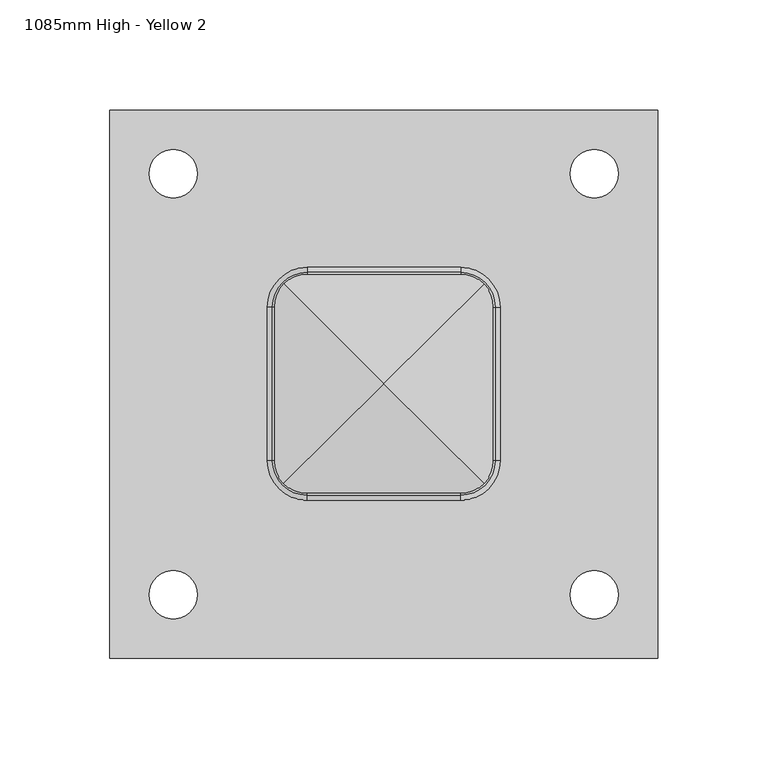
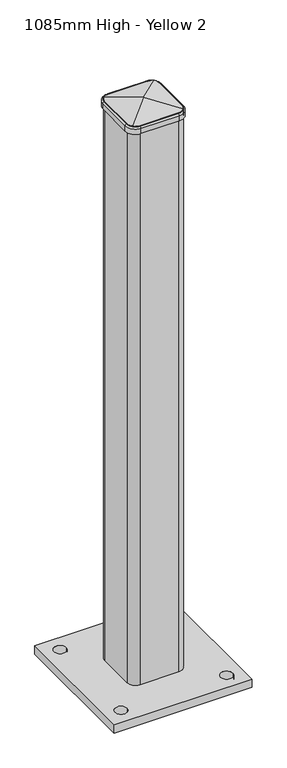
"""IFC4 building model written with IfcOpenShell, lengths in millimetres: proxy geometry, 1085mm High - Yellow 2."""

import ifcopenshell
import ifcopenshell.guid

model = None  # the IFC model being written
_history = None  # IfcOwnerHistory: only IFC2X3 demands one
_inside = {}  # id of a spatial element -> (the spatial element, [elements in it])
_under = {}  # id of a project, library or spatial element -> (it, [spatial elements below it])
_declared = {}  # id of a project -> (the project, [libraries it declares])
_typed = {}  # id of a type object -> (the type object, [elements of that type])
_made_of = {}  # id of a material, layer set ... -> (it, [elements and type objects made of it])


def new_model(schema):
    """Start an empty IFC model of exactly this schema.

    Asked for "IFC4X3", IfcOpenShell would pick the latest addendum, in which some entities
    have other attributes; the version numbers below select the first issue.
    IFC2X3 requires an IfcOwnerHistory on every rooted entity: one is made here for all.
    """
    global model, _history
    if schema == "IFC4X3":
        model = ifcopenshell.file(schema_version=(4, 3, 0, 0))
    else:
        model = ifcopenshell.file(schema=schema)
    _inside.clear()
    _under.clear()
    _declared.clear()
    _typed.clear()
    _made_of.clear()
    _history = None
    if model.schema == "IFC2X3":
        org = make("IfcOrganization", Name="unknown")
        user = make(
            "IfcPersonAndOrganization",
            ThePerson=make("IfcPerson", FamilyName="unknown"),
            TheOrganization=org,
        )
        app = make(
            "IfcApplication",
            ApplicationDeveloper=org,
            Version="unknown",
            ApplicationFullName="unknown",
            ApplicationIdentifier="unknown",
        )
        _history = make(
            "IfcOwnerHistory",
            OwningUser=user,
            OwningApplication=app,
            ChangeAction="ADDED",
            CreationDate=0,
        )
    return model


def make(cls, **values):
    """One entity of the class cls with the attributes given. An attribute that is None is left unset."""
    return model.create_entity(
        cls, **{name: value for name, value in values.items() if value is not None}
    )


def rooted(cls, **values):
    """An entity with a GlobalId (a new one), such as an element, a storey or a relation."""
    return make(cls, GlobalId=ifcopenshell.guid.new(), OwnerHistory=_history, **values)


def si_unit(unit_type, name, prefix=None):
    """IfcSIUnit, for example si_unit("LENGTHUNIT", "METRE", prefix="MILLI")."""
    return make("IfcSIUnit", UnitType=unit_type, Prefix=prefix, Name=name)


def assignment(units):
    """IfcUnitAssignment: the units of a project."""
    return None if units is None else make("IfcUnitAssignment", Units=units)


def point(xyz):
    """IfcCartesianPoint."""
    return None if xyz is None else make("IfcCartesianPoint", Coordinates=xyz)


def direction(xyz):
    """IfcDirection."""
    return None if xyz is None else make("IfcDirection", DirectionRatios=xyz)


def frame(location, z_axis=None, x_axis=None):
    """IfcAxis2Placement3D, a coordinate frame: its origin and axes. An axis left out is left unset."""
    return make(
        "IfcAxis2Placement3D",
        Location=point(location),
        Axis=direction(z_axis),
        RefDirection=direction(x_axis),
    )


def origin():
    """The frame at (0, 0, 0) with its axes left unset."""
    return frame((0.0, 0.0, 0.0))


def place(relative_to, where):
    """IfcLocalPlacement: puts the frame where relative to a parent placement (None: the world)."""
    return make(
        "IfcLocalPlacement", PlacementRelTo=relative_to, RelativePlacement=where
    )


def context(
    kind, dimensions, precision=None, world=None, true_north=None, identifier=None
):
    """IfcGeometricRepresentationContext, for example the 3D "Model" context."""
    return make(
        "IfcGeometricRepresentationContext",
        ContextIdentifier=identifier,
        ContextType=kind,
        CoordinateSpaceDimension=dimensions,
        Precision=precision,
        WorldCoordinateSystem=world,
        TrueNorth=true_north,
    )


def project(units=None, contexts=None):
    """IfcProject with its units and contexts."""
    return rooted(
        "IfcProject",
        Name="project",
        RepresentationContexts=contexts,
        UnitsInContext=assignment(units),
    )


def spatial(cls, under=None, at=None, **own):
    """A site, building, storey or space (cls), placed at a placement, below another one or the project."""
    s = rooted(cls, ObjectPlacement=at, **own)
    if under is not None:
        _under.setdefault(under.id(), (under, []))[1].append(s)
    return s


def polyline(points):
    """IfcPolyline through the points."""
    return make("IfcPolyline", Points=[point(p) for p in points])


def circle_curve(where, radius):
    """IfcCircle in the frame where."""
    return make("IfcCircle", Position=where, Radius=radius)


def ellipse_curve(where, semi_axis1, semi_axis2):
    """IfcEllipse in the frame where."""
    return make(
        "IfcEllipse", Position=where, SemiAxis1=semi_axis1, SemiAxis2=semi_axis2
    )


def trimmed(basis, trim1, trim2, sense, master):
    """IfcTrimmedCurve: the piece of a basis curve between two trims."""
    return make(
        "IfcTrimmedCurve",
        BasisCurve=basis,
        Trim1=trim1,
        Trim2=trim2,
        SenseAgreement=sense,
        MasterRepresentation=master,
    )


def shape(context_of_items, identifier, shape_type, items):
    """IfcShapeRepresentation: the items that make up one representation, for example the "Body"."""
    return make(
        "IfcShapeRepresentation",
        ContextOfItems=context_of_items,
        RepresentationIdentifier=identifier,
        RepresentationType=shape_type,
        Items=items,
    )


def source(mapping_origin, context_of_items, identifier, shape_type, items):
    """IfcRepresentationMap: a shape defined once, which mapped items show again and again."""
    return make(
        "IfcRepresentationMap",
        MappingOrigin=mapping_origin,
        MappedRepresentation=shape(context_of_items, identifier, shape_type, items),
    )


def transform(
    local_origin,
    x_axis=None,
    y_axis=None,
    z_axis=None,
    scale=None,
    scale2=None,
    scale3=None,
    uniform=True,
):
    """IfcCartesianTransformationOperator3D, or its non-uniform kind. x_axis, y_axis, z_axis: its Axis1, 2, 3."""
    if uniform:
        return make(
            "IfcCartesianTransformationOperator3D",
            Axis1=direction(x_axis),
            Axis2=direction(y_axis),
            LocalOrigin=point(local_origin),
            Scale=scale,
            Axis3=direction(z_axis),
        )
    return make(
        "IfcCartesianTransformationOperator3DnonUniform",
        Axis1=direction(x_axis),
        Axis2=direction(y_axis),
        LocalOrigin=point(local_origin),
        Scale=scale,
        Axis3=direction(z_axis),
        Scale2=scale2,
        Scale3=scale3,
    )


def mapped(mapping_source, mapping_target):
    """IfcMappedItem: shows the shape of a source again, moved by a transform."""
    return make(
        "IfcMappedItem", MappingSource=mapping_source, MappingTarget=mapping_target
    )


def made_of(thing, what):
    """Note that an element or type object is made of a material, layer set ...; save() writes the relation."""
    if what is not None:
        _made_of.setdefault(what.id(), (what, []))[1].append(thing)
    return thing


def element(
    cls,
    number,
    at=None,
    inside=None,
    cuts=None,
    type_object=None,
    material=None,
    context=None,
    identifier="Body",
    shape_type=None,
    held_by="IfcProductDefinitionShape",
    body=None,
    shapes=None,
    **own,
):
    """One element of the class cls, such as IfcWall. Its Tag is "e" and its number.

    at: its placement. inside: the storey or other place that contains it. cuts: it is an
    opening in that element (IfcRelVoidsElement). A single representation is given by context,
    identifier, shape_type and body (its items); several are given by shapes. held_by: the class
    of the entity that holds the representations. save() writes the other relations.
    """
    e = rooted(cls, Tag="e%d" % number, ObjectPlacement=at, **own)
    if body is not None:
        shapes = [shape(context, identifier, shape_type, body)]
    if shapes is not None:
        e.Representation = make(held_by, Representations=shapes)
    if inside is not None:
        _inside.setdefault(inside.id(), (inside, []))[1].append(e)
    if cuts is not None:
        rooted(
            "IfcRelVoidsElement", RelatingBuildingElement=cuts, RelatedOpeningElement=e
        )
    if type_object is not None:
        _typed.setdefault(type_object.id(), (type_object, []))[1].append(e)
    return made_of(e, material)


def aggregate(whole, parts):
    """IfcRelAggregates: a whole, such as a stair, and the parts it consists of."""
    return rooted("IfcRelAggregates", RelatingObject=whole, RelatedObjects=parts)


def save(model, path):
    """Write the relations noted so far, then the file.

    IfcRelAggregates (storeys below a building ...), IfcRelContainedInSpatialStructure (elements
    in a storey), IfcRelDefinesByType, IfcRelAssociatesMaterial and IfcRelDeclares: one each for
    every whole, place, type object, material and project.
    """
    for whole, parts in _under.values():
        aggregate(whole, parts)
    for where, things in _inside.values():
        rooted(
            "IfcRelContainedInSpatialStructure",
            RelatedElements=things,
            RelatingStructure=where,
        )
    for kind, things in _typed.values():
        rooted("IfcRelDefinesByType", RelatedObjects=things, RelatingType=kind)
    for what, things in _made_of.values():
        rooted("IfcRelAssociatesMaterial", RelatedObjects=things, RelatingMaterial=what)
    for by, libraries in _declared.values():
        rooted("IfcRelDeclares", RelatingContext=by, RelatedDefinitions=libraries)
    model.write(path)


def plane_surface(at):
    """IfcPlane: the flat surface through the origin of the frame at, square to its z axis."""
    return make("IfcPlane", Position=at)


def cylinder_surface(at, radius):
    """IfcCylindricalSurface: all points at the distance radius from the z axis of the frame at."""
    return make("IfcCylindricalSurface", Position=at, Radius=radius)


def revolved_surface(curve, axis_point, axis_direction):
    """IfcSurfaceOfRevolution: the curve turned about the line through axis_point along axis_direction."""
    return make(
        "IfcSurfaceOfRevolution",
        SweptCurve=make("IfcArbitraryOpenProfileDef", ProfileType="CURVE", Curve=curve),
        AxisPosition=make("IfcAxis1Placement", Location=point(axis_point), Axis=direction(axis_direction)),
    )


def advanced_brep(points, edges, surfaces, faces):
    """IfcAdvancedBrep: a solid bounded by faces that lie on surfaces and meet in shared edges.

    An edge is (start, end): straight between two places in points (the first is 0);
    or (start, end, curve); or (start, end, curve, False) where it runs against its curve.
    A face is (place in surfaces, loops), or (place, loops, False) where it looks against
    its surface's normal. A loop lists edges by number (the first is 1), with a minus sign
    where the edge is run from its end to its start. The first loop is the outer one.
    """
    corners = [point(p) for p in points]
    vertices = [make("IfcVertexPoint", VertexGeometry=c) for c in corners]
    made = []
    for start, end, *more in edges:
        made.append(
            make(
                "IfcEdgeCurve",
                EdgeStart=vertices[start],
                EdgeEnd=vertices[end],
                EdgeGeometry=more[0] if more else make("IfcPolyline", Points=[corners[start], corners[end]]),
                SameSense=more[1] if len(more) > 1 else True,
            )
        )
    hull = []
    for where, loops, *sense in faces:
        bounds = []
        for j, loop in enumerate(loops):
            ring = [make("IfcOrientedEdge", EdgeElement=made[abs(k) - 1], Orientation=k > 0) for k in loop]
            bounds.append(
                make(
                    "IfcFaceOuterBound" if j == 0 else "IfcFaceBound",
                    Bound=make("IfcEdgeLoop", EdgeList=ring),
                    Orientation=True,
                )
            )
        hull.append(make("IfcAdvancedFace", Bounds=bounds, FaceSurface=surfaces[where], SameSense=sense[0] if sense else True))
    return make("IfcAdvancedBrep", Outer=make("IfcClosedShell", CfsFaces=hull))


def proxy_1085mm_high_yellow_2_043fd35d(model_context):
    return source(origin(), model_context, "Body", "AdvancedBrep", [
        advanced_brep(
        [(1345.0, -125.0, 16.0), (1345.0, 125.0, 16.0), (1095.0, 125.0, 16.0), (1095.0, -125.0, 16.0), (1113.0, 96.0, 16.0), (1135.0, 96.0, 16.0), (1305.0, 96.0, 16.0), (1327.0, 96.0, 16.0), (1113.0, -96.0, 16.0), (1135.0, -96.0, 16.0), (1305.0, -96.0, 16.0), (1327.0, -96.0, 16.0), (1270.0, 35.0, 16.0), (1270.0, -35.0, 16.0), (1255.0, -50.0, 16.0), (1185.0, -50.0, 16.0), (1170.0, -35.0, 16.0), (1170.0, 35.0, 16.0), (1185.0, 50.0, 16.0), (1255.0, 50.0, 16.0), (1264.0, 35.0, 16.0), (1255.0, 44.0, 16.0), (1185.0, 44.0, 16.0), (1176.0, 35.0, 16.0), (1176.0, -35.0, 16.0), (1185.0, -44.0, 16.0), (1255.0, -44.0, 16.0), (1264.0, -35.0, 16.0), (1345.0, -125.0, 0.0), (1095.0, -125.0, 0.0), (1095.0, 125.0, 0.0), (1345.0, 125.0, 0.0), (1113.0, 96.0, 0.0), (1135.0, 96.0, 0.0), (1305.0, 96.0, 0.0), (1327.0, 96.0, 0.0), (1113.0, -96.0, 0.0), (1135.0, -96.0, 0.0), (1305.0, -96.0, 0.0), (1327.0, -96.0, 0.0), (1270.0, -35.0, 1085.0), (1270.0, 35.0, 1085.0), (1255.0, 50.0, 1085.0), (1185.0, 50.0, 1085.0), (1170.0, 35.0, 1085.0), (1170.0, -35.0, 1085.0), (1185.0, -50.0, 1085.0), (1255.0, -50.0, 1085.0), (1255.0, 44.0, 1085.0), (1264.0, 35.0, 1085.0), (1264.0, -35.0, 1085.0), (1255.0, -44.0, 1085.0), (1185.0, -44.0, 1085.0), (1176.0, -35.0, 1085.0), (1176.0, 35.0, 1085.0), (1185.0, 44.0, 1085.0)],
        [
            (0, 1),
            (1, 2),
            (2, 3),
            (3, 0),
            (4, 5, circle_curve(frame((1124.0, 96.0, 16.0), z_axis=(0.0, 0.0, -1.0), x_axis=(1.0, 0.0, 0.0)), 11.0)),
            (5, 4, circle_curve(frame((1124.0, 96.0, 16.0), z_axis=(0.0, 0.0, -1.0), x_axis=(1.0, 0.0, 0.0)), 11.0)),
            (6, 7, circle_curve(frame((1316.0, 96.0, 16.0), z_axis=(0.0, 0.0, -1.0), x_axis=(1.0, 0.0, 0.0)), 11.0)),
            (7, 6, circle_curve(frame((1316.0, 96.0, 16.0), z_axis=(0.0, 0.0, -1.0), x_axis=(1.0, 0.0, 0.0)), 11.0)),
            (8, 9, circle_curve(frame((1124.0, -96.0, 16.0), z_axis=(0.0, 0.0, -1.0), x_axis=(1.0, 0.0, 0.0)), 11.0)),
            (9, 8, circle_curve(frame((1124.0, -96.0, 16.0), z_axis=(0.0, 0.0, -1.0), x_axis=(1.0, 0.0, 0.0)), 11.0)),
            (10, 11, circle_curve(frame((1316.0, -96.0, 16.0), z_axis=(0.0, 0.0, -1.0), x_axis=(1.0, 0.0, 0.0)), 11.0)),
            (11, 10, circle_curve(frame((1316.0, -96.0, 16.0), z_axis=(0.0, 0.0, -1.0), x_axis=(1.0, 0.0, 0.0)), 11.0)),
            (12, 13),
            (13, 14, circle_curve(frame((1255.0, -35.0, 16.0), z_axis=(0.0, 0.0, -1.0), x_axis=(-1.0, 0.0, 0.0)), 15.0)),
            (14, 15),
            (15, 16, circle_curve(frame((1185.0, -35.0, 16.0), z_axis=(0.0, 0.0, -1.0), x_axis=(-1.0, 0.0, 0.0)), 15.0)),
            (16, 17),
            (17, 18, circle_curve(frame((1185.0, 35.0, 16.0), z_axis=(0.0, 0.0, -1.0), x_axis=(-1.0, 0.0, 0.0)), 15.0)),
            (18, 19),
            (19, 12, circle_curve(frame((1255.0, 35.0, 16.0), z_axis=(0.0, 0.0, -1.0), x_axis=(-1.0, 0.0, 0.0)), 15.0)),
            (20, 21, circle_curve(frame((1255.0, 35.0, 16.0), z_axis=(0.0, 0.0, 1.0), x_axis=(-1.0, 0.0, 0.0)), 9.0)),
            (21, 22),
            (22, 23, circle_curve(frame((1185.0, 35.0, 16.0), z_axis=(0.0, 0.0, 1.0), x_axis=(-1.0, 0.0, 0.0)), 9.0)),
            (23, 24),
            (24, 25, circle_curve(frame((1185.0, -35.0, 16.0), z_axis=(0.0, 0.0, 1.0), x_axis=(-1.0, 0.0, 0.0)), 9.0)),
            (25, 26),
            (26, 27, circle_curve(frame((1255.0, -35.0, 16.0), z_axis=(0.0, 0.0, 1.0), x_axis=(-1.0, 0.0, 0.0)), 9.0)),
            (27, 20),
            (28, 29),
            (29, 30),
            (30, 31),
            (31, 28),
            (32, 33, circle_curve(frame((1124.0, 96.0, 0.0), z_axis=(0.0, 0.0, 1.0), x_axis=(1.0, 0.0, 0.0)), 11.0)),
            (33, 32, circle_curve(frame((1124.0, 96.0, 0.0), z_axis=(0.0, 0.0, 1.0), x_axis=(1.0, 0.0, 0.0)), 11.0)),
            (34, 35, circle_curve(frame((1316.0, 96.0, 0.0), z_axis=(0.0, 0.0, 1.0), x_axis=(1.0, 0.0, 0.0)), 11.0)),
            (35, 34, circle_curve(frame((1316.0, 96.0, 0.0), z_axis=(0.0, 0.0, 1.0), x_axis=(1.0, 0.0, 0.0)), 11.0)),
            (36, 37, circle_curve(frame((1124.0, -96.0, 0.0), z_axis=(0.0, 0.0, 1.0), x_axis=(1.0, 0.0, 0.0)), 11.0)),
            (37, 36, circle_curve(frame((1124.0, -96.0, 0.0), z_axis=(0.0, 0.0, 1.0), x_axis=(1.0, 0.0, 0.0)), 11.0)),
            (38, 39, circle_curve(frame((1316.0, -96.0, 0.0), z_axis=(0.0, 0.0, 1.0), x_axis=(1.0, 0.0, 0.0)), 11.0)),
            (39, 38, circle_curve(frame((1316.0, -96.0, 0.0), z_axis=(0.0, 0.0, 1.0), x_axis=(1.0, 0.0, 0.0)), 11.0)),
            (0, 28),
            (31, 1),
            (30, 2),
            (29, 3),
            (4, 32),
            (33, 5),
            (6, 34),
            (35, 7),
            (8, 36),
            (37, 9),
            (10, 38),
            (39, 11),
            (40, 41),
            (41, 42, circle_curve(frame((1255.0, 35.0, 1085.0), z_axis=(0.0, 0.0, 1.0), x_axis=(-1.0, 0.0, 0.0)), 15.0)),
            (42, 43),
            (43, 44, circle_curve(frame((1185.0, 35.0, 1085.0), z_axis=(0.0, 0.0, 1.0), x_axis=(-1.0, 0.0, 0.0)), 15.0)),
            (44, 45),
            (45, 46, circle_curve(frame((1185.0, -35.0, 1085.0), z_axis=(0.0, 0.0, 1.0), x_axis=(-1.0, 0.0, 0.0)), 15.0)),
            (46, 47),
            (47, 40, circle_curve(frame((1255.0, -35.0, 1085.0), z_axis=(0.0, 0.0, 1.0), x_axis=(-1.0, 0.0, 0.0)), 15.0)),
            (48, 49, circle_curve(frame((1255.0, 35.0, 1085.0), z_axis=(0.0, 0.0, -1.0), x_axis=(-1.0, 0.0, 0.0)), 9.0)),
            (49, 50),
            (50, 51, circle_curve(frame((1255.0, -35.0, 1085.0), z_axis=(0.0, 0.0, -1.0), x_axis=(-1.0, 0.0, 0.0)), 9.0)),
            (51, 52),
            (52, 53, circle_curve(frame((1185.0, -35.0, 1085.0), z_axis=(0.0, 0.0, -1.0), x_axis=(-1.0, 0.0, 0.0)), 9.0)),
            (53, 54),
            (54, 55, circle_curve(frame((1185.0, 35.0, 1085.0), z_axis=(0.0, 0.0, -1.0), x_axis=(-1.0, 0.0, 0.0)), 9.0)),
            (55, 48),
            (40, 13),
            (12, 41),
            (19, 42),
            (18, 43),
            (17, 44),
            (16, 45),
            (15, 46),
            (14, 47),
            (48, 21),
            (20, 49),
            (27, 50),
            (26, 51),
            (25, 52),
            (24, 53),
            (23, 54),
            (22, 55),
        ],
        [
            plane_surface(frame((1345.0, 314.3329913, 16.0), z_axis=(0.0, 0.0, 1.0), x_axis=(0.0, 1.0, 0.0))),
            plane_surface(frame((1345.0, 314.3329913, 0.0), z_axis=(0.0, 0.0, -1.0), x_axis=(0.0, -1.0, 0.0))),
            plane_surface(frame((1345.0, -125.0, 16.0), z_axis=(1.0, 0.0, 0.0), x_axis=(0.0, 0.0, -1.0))),
            plane_surface(frame((1345.0, 125.0, 16.0), z_axis=(0.0, 1.0, 0.0), x_axis=(0.0, 0.0, -1.0))),
            plane_surface(frame((1095.0, 125.0, 16.0), z_axis=(-1.0, 0.0, 0.0), x_axis=(0.0, 0.0, -1.0))),
            plane_surface(frame((1095.0, -125.0, 16.0), z_axis=(0.0, -1.0, 0.0), x_axis=(0.0, 0.0, -1.0))),
            revolved_surface(polyline([(1135.0, 96.0, 0.0), (1135.0, 96.0, 16.0)]), (1124.0, 96.0, 0.0), (0.0, 0.0, -1.0)),
            revolved_surface(polyline([(1327.0, 96.0, 0.0), (1327.0, 96.0, 16.0)]), (1316.0, 96.0, 0.0), (0.0, 0.0, -1.0)),
            revolved_surface(polyline([(1135.0, -96.0, 0.0), (1135.0, -96.0, 16.0)]), (1124.0, -96.0, 0.0), (0.0, 0.0, -1.0)),
            revolved_surface(polyline([(1327.0, -96.0, 0.0), (1327.0, -96.0, 16.0)]), (1316.0, -96.0, 0.0), (0.0, 0.0, -1.0)),
            plane_surface(frame((1270.0, 314.3329913, 1085.0), z_axis=(0.0, 0.0, 1.0), x_axis=(0.0, 1.0, 0.0))),
            plane_surface(frame((1270.0, -35.0, 1085.0), z_axis=(1.0, 0.0, 0.0), x_axis=(0.0, 0.0, -1.0))),
            cylinder_surface(frame((1255.0, 35.0, 16.0), z_axis=(0.0, 0.0, 1.0), x_axis=(-1.0, 0.0, 0.0)), 15.0),
            plane_surface(frame((1255.0, 50.0, 1085.0), z_axis=(0.0, 1.0, 0.0), x_axis=(0.0, 0.0, -1.0))),
            cylinder_surface(frame((1185.0, 35.0, 16.0), z_axis=(0.0, 0.0, 1.0), x_axis=(-1.0, 0.0, 0.0)), 15.0),
            plane_surface(frame((1170.0, 35.0, 1085.0), z_axis=(-1.0, 0.0, 0.0), x_axis=(0.0, 0.0, -1.0))),
            cylinder_surface(frame((1185.0, -35.0, 16.0), z_axis=(0.0, 0.0, 1.0), x_axis=(-1.0, 0.0, 0.0)), 15.0),
            plane_surface(frame((1185.0, -50.0, 1085.0), z_axis=(0.0, -1.0, 0.0), x_axis=(0.0, 0.0, -1.0))),
            cylinder_surface(frame((1255.0, -35.0, 16.0), z_axis=(0.0, 0.0, 1.0), x_axis=(-1.0, 0.0, 0.0)), 15.0),
            revolved_surface(polyline([(1246.0, 35.0, 16.0), (1246.0, 35.0, 1085.0)]), (1255.0, 35.0, 16.0), (0.0, 0.0, -1.0)),
            plane_surface(frame((1264.0, 35.0, 1085.0), z_axis=(-1.0, 0.0, 0.0), x_axis=(0.0, 0.0, -1.0))),
            revolved_surface(polyline([(1246.0, -35.0, 16.0), (1246.0, -35.0, 1085.0)]), (1255.0, -35.0, 16.0), (0.0, 0.0, -1.0)),
            plane_surface(frame((1255.0, -44.0, 1085.0), z_axis=(0.0, 1.0, 0.0), x_axis=(0.0, 0.0, -1.0))),
            revolved_surface(polyline([(1176.0, -35.0, 16.0), (1176.0, -35.0, 1085.0)]), (1185.0, -35.0, 16.0), (0.0, 0.0, -1.0)),
            plane_surface(frame((1176.0, -35.0, 1085.0), z_axis=(1.0, 0.0, 0.0), x_axis=(0.0, 0.0, -1.0))),
            revolved_surface(polyline([(1176.0, 35.0, 16.0), (1176.0, 35.0, 1085.0)]), (1185.0, 35.0, 16.0), (0.0, 0.0, -1.0)),
            plane_surface(frame((1185.0, 44.0, 1085.0), z_axis=(0.0, -1.0, 0.0), x_axis=(0.0, 0.0, -1.0))),
        ],
        [
            (0, [[1, 2, 3, 4], [5, 6], [7, 8], [9, 10], [11, 12], [13, 14, 15, 16, 17, 18, 19, 20]]),
            (0, [[21, 22, 23, 24, 25, 26, 27, 28]]),
            (1, [[29, 30, 31, 32], [33, 34], [35, 36], [37, 38], [39, 40]]),
            (2, [[-1, 41, -32, 42]]),
            (3, [[-2, -42, -31, 43]]),
            (4, [[-3, -43, -30, 44]]),
            (5, [[-4, -44, -29, -41]]),
            (6, [[-5, 45, -34, 46]]),
            (6, [[-6, -46, -33, -45]]),
            (7, [[-7, 47, -36, 48]]),
            (7, [[-8, -48, -35, -47]]),
            (8, [[-9, 49, -38, 50]]),
            (8, [[-10, -50, -37, -49]]),
            (9, [[-11, 51, -40, 52]]),
            (9, [[-12, -52, -39, -51]]),
            (10, [[53, 54, 55, 56, 57, 58, 59, 60], [61, 62, 63, 64, 65, 66, 67, 68]]),
            (11, [[-53, 69, -13, 70]]),
            (12, [[-54, -70, -20, 71]]),
            (13, [[-55, -71, -19, 72]]),
            (14, [[-56, -72, -18, 73]]),
            (15, [[-57, -73, -17, 74]]),
            (16, [[-58, -74, -16, 75]]),
            (17, [[-59, -75, -15, 76]]),
            (18, [[-60, -76, -14, -69]]),
            (19, [[-61, 77, -21, 78]]),
            (20, [[-62, -78, -28, 79]]),
            (21, [[-63, -79, -27, 80]]),
            (22, [[-64, -80, -26, 81]]),
            (23, [[-65, -81, -25, 82]]),
            (24, [[-66, -82, -24, 83]]),
            (25, [[-67, -83, -23, 84]]),
            (26, [[-68, -84, -22, -77]]),
        ],
    ),
        advanced_brep(
        [(1255.0, -50.0, 1088.0849886), (1270.0, -35.0, 1088.0849886), (1270.0, -35.0, 1075.0), (1255.0, -50.0, 1075.0), (1255.0, -50.771088, 1087.899696), (1270.771088, -35.0, 1087.899696), (1255.0, -53.0701411, 1084.9827329), (1273.0701411, -35.0, 1084.9827329), (1255.0, -53.0701411, 1075.0), (1273.0701411, -35.0, 1075.0), (1185.0, -50.0, 1075.0), (1185.0, -50.0, 1088.0849886), (1185.0, -50.771088, 1087.899696), (1185.0, -53.0701411, 1084.9827329), (1185.0, -53.0701411, 1075.0), (1170.0, -35.0, 1088.0849886), (1170.0, -35.0, 1075.0), (1169.228912, -35.0, 1087.899696), (1166.9298589, -35.0, 1084.9827329), (1166.9298589, -35.0, 1075.0), (1170.0, 35.0, 1075.0), (1170.0, 35.0, 1088.0849886), (1169.228912, 35.0, 1087.899696), (1166.9298589, 35.0, 1084.9827329), (1166.9298589, 35.0, 1075.0), (1185.0, 50.0, 1088.0849886), (1185.0, 50.0, 1075.0), (1185.0, 50.771088, 1087.899696), (1185.0, 53.0701411, 1084.9827329), (1185.0, 53.0701411, 1075.0), (1255.0, 50.0, 1075.0), (1255.0, 50.0, 1088.0849886), (1255.0, 50.771088, 1087.899696), (1255.0, 53.0701411, 1084.9827329), (1255.0, 53.0701411, 1075.0), (1270.0, 35.0, 1088.0849886), (1270.0, 35.0, 1075.0), (1270.771088, 35.0, 1087.899696), (1273.0701411, 35.0, 1084.9827329), (1273.0701411, 35.0, 1075.0)],
        [
            (0, 1, circle_curve(frame((1255.0, -35.0, 1088.0849886), z_axis=(0.0, 0.0, 1.0), x_axis=(1.0, 0.0, 0.0)), 15.0)),
            (1, 2),
            (2, 3, circle_curve(frame((1255.0, -35.0, 1075.0), z_axis=(0.0, 0.0, -1.0), x_axis=(1.0, 0.0, 0.0)), 15.0)),
            (3, 0),
            (4, 5, circle_curve(frame((1255.0, -35.0, 1087.899696), z_axis=(0.0, 0.0, 1.0), x_axis=(1.0, 0.0, 0.0)), 15.771088)),
            (5, 1),
            (0, 4),
            (6, 7, circle_curve(frame((1255.0, -35.0, 1084.9827329), z_axis=(0.0, 0.0, 1.0), x_axis=(1.0, 0.0, 0.0)), 18.0701411)),
            (7, 5, circle_curve(frame((1270.0701411, -35.0, 1084.9827329), z_axis=(0.0, -1.0, 0.0), x_axis=(-1.0, 0.0, 0.0)), 3.0)),
            (4, 6, circle_curve(frame((1255.0, -50.0701411, 1084.9827329), z_axis=(1.0, 0.0, 0.0), x_axis=(0.0, 1.0, 0.0)), 3.0)),
            (8, 9, circle_curve(frame((1255.0, -35.0, 1075.0), z_axis=(0.0, 0.0, 1.0), x_axis=(1.0, 0.0, 0.0)), 18.0701411)),
            (9, 7),
            (6, 8),
            (3, 10),
            (10, 11),
            (11, 0),
            (11, 12),
            (12, 4),
            (12, 13, circle_curve(frame((1185.0, -50.0701411, 1084.9827329), z_axis=(1.0, 0.0, 0.0), x_axis=(0.0, 1.0, 0.0)), 3.0)),
            (13, 6),
            (13, 14),
            (14, 8),
            (15, 11, circle_curve(frame((1185.0, -35.0, 1088.0849886), z_axis=(0.0, 0.0, 1.0), x_axis=(0.0, -1.0, 0.0)), 15.0)),
            (10, 16, circle_curve(frame((1185.0, -35.0, 1075.0), z_axis=(0.0, 0.0, -1.0), x_axis=(0.0, -1.0, 0.0)), 15.0)),
            (16, 15),
            (17, 12, circle_curve(frame((1185.0, -35.0, 1087.899696), z_axis=(0.0, 0.0, 1.0), x_axis=(0.0, -1.0, 0.0)), 15.771088)),
            (15, 17),
            (18, 13, circle_curve(frame((1185.0, -35.0, 1084.9827329), z_axis=(0.0, 0.0, 1.0), x_axis=(0.0, -1.0, 0.0)), 18.0701411)),
            (17, 18, circle_curve(frame((1169.9298589, -35.0, 1084.9827329), z_axis=(0.0, -1.0, 0.0), x_axis=(1.0, 0.0, 0.0)), 3.0)),
            (19, 14, circle_curve(frame((1185.0, -35.0, 1075.0), z_axis=(0.0, 0.0, 1.0), x_axis=(0.0, -1.0, 0.0)), 18.0701411)),
            (18, 19),
            (16, 20),
            (20, 21),
            (21, 15),
            (21, 22),
            (22, 17),
            (22, 23, circle_curve(frame((1169.9298589, 35.0, 1084.9827329), z_axis=(0.0, -1.0, 0.0), x_axis=(1.0, 0.0, 0.0)), 3.0)),
            (23, 18),
            (23, 24),
            (24, 19),
            (25, 21, circle_curve(frame((1185.0, 35.0, 1088.0849886), z_axis=(0.0, 0.0, 1.0), x_axis=(-1.0, 0.0, 0.0)), 15.0)),
            (20, 26, circle_curve(frame((1185.0, 35.0, 1075.0), z_axis=(0.0, 0.0, -1.0), x_axis=(-1.0, 0.0, 0.0)), 15.0)),
            (26, 25),
            (27, 22, circle_curve(frame((1185.0, 35.0, 1087.899696), z_axis=(0.0, 0.0, 1.0), x_axis=(-1.0, 0.0, 0.0)), 15.771088)),
            (25, 27),
            (28, 23, circle_curve(frame((1185.0, 35.0, 1084.9827329), z_axis=(0.0, 0.0, 1.0), x_axis=(-1.0, 0.0, 0.0)), 18.0701411)),
            (27, 28, circle_curve(frame((1185.0, 50.0701411, 1084.9827329), z_axis=(-1.0, 0.0, 0.0), x_axis=(0.0, -1.0, 0.0)), 3.0)),
            (29, 24, circle_curve(frame((1185.0, 35.0, 1075.0), z_axis=(0.0, 0.0, 1.0), x_axis=(-1.0, 0.0, 0.0)), 18.0701411)),
            (28, 29),
            (26, 30),
            (30, 31),
            (31, 25),
            (31, 32),
            (32, 27),
            (32, 33, circle_curve(frame((1255.0, 50.0701411, 1084.9827329), z_axis=(-1.0, 0.0, 0.0), x_axis=(0.0, -1.0, 0.0)), 3.0)),
            (33, 28),
            (33, 34),
            (34, 29),
            (35, 31, circle_curve(frame((1255.0, 35.0, 1088.0849886), z_axis=(0.0, 0.0, 1.0), x_axis=(0.0, 1.0, 0.0)), 15.0)),
            (30, 36, circle_curve(frame((1255.0, 35.0, 1075.0), z_axis=(0.0, 0.0, -1.0), x_axis=(0.0, 1.0, 0.0)), 15.0)),
            (36, 35),
            (37, 32, circle_curve(frame((1255.0, 35.0, 1087.899696), z_axis=(0.0, 0.0, 1.0), x_axis=(0.0, 1.0, 0.0)), 15.771088)),
            (35, 37),
            (38, 33, circle_curve(frame((1255.0, 35.0, 1084.9827329), z_axis=(0.0, 0.0, 1.0), x_axis=(0.0, 1.0, 0.0)), 18.0701411)),
            (37, 38, circle_curve(frame((1270.0701411, 35.0, 1084.9827329), z_axis=(0.0, 1.0, 0.0), x_axis=(-1.0, 0.0, 0.0)), 3.0)),
            (39, 34, circle_curve(frame((1255.0, 35.0, 1075.0), z_axis=(0.0, 0.0, 1.0), x_axis=(0.0, 1.0, 0.0)), 18.0701411)),
            (38, 39),
            (39, 9),
            (2, 36),
            (1, 35),
            (5, 37),
            (7, 38),
        ],
        [
            revolved_surface(polyline([(1270.0, -35.0, 1075.0), (1270.0, -35.0, 1088.0849886)]), (1255.0, -35.0, 1085.0), (0.0, 0.0, -1.0)),
            revolved_surface(polyline([(1270.0, -35.0, 1088.0849886), (1270.771088, -35.0, 1087.899696)]), (1255.0, -35.0, 1085.0), (0.0, 0.0, -1.0)),
            revolved_surface(trimmed(ellipse_curve(frame((1270.0701411, -35.0, 1084.9827329), z_axis=(0.0, 1.0, 0.0), x_axis=(-1.0, 0.0, 0.0)), 3.0, 3.0), [point((1270.771088, -35.0, 1087.899696))], [point((1273.0701411, -35.0, 1084.9827329))], True, "CARTESIAN"), (1255.0, -35.0, 1085.0), (0.0, 0.0, -1.0)),
            cylinder_surface(frame((1255.0, -35.0, 1085.0), z_axis=(0.0, 0.0, -1.0), x_axis=(1.0, 0.0, 0.0)), 18.0701411),
            plane_surface(frame((1255.0, -50.0, 1075.0), z_axis=(0.0, 1.0, 0.0), x_axis=(-1.0, 0.0, 0.0))),
            plane_surface(frame((1255.0, -50.0, 1088.0849886), z_axis=(0.0, -0.23364896259536563, 0.9723210181201009), x_axis=(-1.0, 0.0, 0.0))),
            cylinder_surface(frame((1255.0, -50.0701411, 1084.9827329), z_axis=(1.0, 0.0, 0.0), x_axis=(0.0, 1.0, 0.0)), 3.0),
            plane_surface(frame((1255.0, -53.0701411, 1084.9827329), z_axis=(0.0, -1.0, 0.0), x_axis=(-1.0, 0.0, 0.0))),
            revolved_surface(polyline([(1185.0, -50.0, 1075.0), (1185.0, -50.0, 1088.0849886)]), (1185.0, -35.0, 1085.0), (0.0, 0.0, -1.0)),
            revolved_surface(polyline([(1185.0, -50.0, 1088.0849886), (1185.0, -50.771088, 1087.899696)]), (1185.0, -35.0, 1085.0), (0.0, 0.0, -1.0)),
            revolved_surface(trimmed(ellipse_curve(frame((1185.0, -50.0701411, 1084.9827329), z_axis=(1.0, 0.0, 0.0), x_axis=(0.0, 1.0, 0.0)), 3.0, 3.0), [point((1185.0, -50.771088, 1087.899696))], [point((1185.0, -53.0701411, 1084.9827329))], True, "CARTESIAN"), (1185.0, -35.0, 1085.0), (0.0, 0.0, -1.0)),
            cylinder_surface(frame((1185.0, -35.0, 1085.0), z_axis=(0.0, 0.0, -1.0), x_axis=(0.0, -1.0, 0.0)), 18.0701411),
            plane_surface(frame((1170.0, -35.0, 1075.0), z_axis=(1.0, 0.0, 0.0), x_axis=(0.0, 1.0, 0.0))),
            plane_surface(frame((1170.0, -35.0, 1088.0849886), z_axis=(-0.23364896259536252, 0.0, 0.9723210181201016), x_axis=(0.0, 1.0, 0.0))),
            cylinder_surface(frame((1169.9298589, -35.0, 1084.9827329), z_axis=(0.0, -1.0, 0.0), x_axis=(1.0, 0.0, 0.0)), 3.0),
            plane_surface(frame((1166.9298589, -35.0, 1084.9827329), z_axis=(-1.0, 0.0, 0.0), x_axis=(0.0, 1.0, 0.0))),
            revolved_surface(polyline([(1170.0, 35.0, 1075.0), (1170.0, 35.0, 1088.0849886)]), (1185.0, 35.0, 1085.0), (0.0, 0.0, -1.0)),
            revolved_surface(polyline([(1170.0, 35.0, 1088.0849886), (1169.228912, 35.0, 1087.899696)]), (1185.0, 35.0, 1085.0), (0.0, 0.0, -1.0)),
            revolved_surface(trimmed(ellipse_curve(frame((1169.9298589, 35.0, 1084.9827329), z_axis=(0.0, -1.0, 0.0), x_axis=(1.0, 0.0, 0.0)), 3.0, 3.0), [point((1169.228912, 35.0, 1087.899696))], [point((1166.9298589, 35.0, 1084.9827329))], True, "CARTESIAN"), (1185.0, 35.0, 1085.0), (0.0, 0.0, -1.0)),
            cylinder_surface(frame((1185.0, 35.0, 1085.0), z_axis=(0.0, 0.0, -1.0), x_axis=(-1.0, 0.0, 0.0)), 18.0701411),
            plane_surface(frame((1185.0, 50.0, 1075.0), z_axis=(0.0, -1.0, 0.0), x_axis=(1.0, 0.0, 0.0))),
            plane_surface(frame((1185.0, 50.0, 1088.0849886), z_axis=(0.0, 0.23364896259536563, 0.9723210181201009), x_axis=(1.0, 0.0, 0.0))),
            cylinder_surface(frame((1185.0, 50.0701411, 1084.9827329), z_axis=(-1.0, 0.0, 0.0), x_axis=(0.0, -1.0, 0.0)), 3.0),
            plane_surface(frame((1185.0, 53.0701411, 1084.9827329), z_axis=(0.0, 1.0, 0.0), x_axis=(1.0, 0.0, 0.0))),
            revolved_surface(polyline([(1255.0, 50.0, 1075.0), (1255.0, 50.0, 1088.0849886)]), (1255.0, 35.0, 1085.0), (0.0, 0.0, -1.0)),
            revolved_surface(polyline([(1255.0, 50.0, 1088.0849886), (1255.0, 50.771088, 1087.899696)]), (1255.0, 35.0, 1085.0), (0.0, 0.0, -1.0)),
            revolved_surface(trimmed(ellipse_curve(frame((1255.0, 50.0701411, 1084.9827329), z_axis=(-1.0, 0.0, 0.0), x_axis=(0.0, -1.0, 0.0)), 3.0, 3.0), [point((1255.0, 50.771088, 1087.899696))], [point((1255.0, 53.0701411, 1084.9827329))], True, "CARTESIAN"), (1255.0, 35.0, 1085.0), (0.0, 0.0, -1.0)),
            cylinder_surface(frame((1255.0, 35.0, 1085.0), z_axis=(0.0, 0.0, -1.0), x_axis=(0.0, 1.0, 0.0)), 18.0701411),
            plane_surface(frame((1273.0701411, 35.0, 1075.0), z_axis=(0.0, 0.0, -1.0), x_axis=(0.0, -1.0, 0.0))),
            plane_surface(frame((1270.0, 35.0, 1075.0), z_axis=(-1.0, 0.0, 0.0), x_axis=(0.0, -1.0, 0.0))),
            plane_surface(frame((1270.0, 35.0, 1088.0849886), z_axis=(0.23364896259536874, 0.0, 0.9723210181201001), x_axis=(0.0, -1.0, 0.0))),
            cylinder_surface(frame((1270.0701411, 35.0, 1084.9827329), z_axis=(0.0, 1.0, 0.0), x_axis=(-1.0, 0.0, 0.0)), 3.0),
            plane_surface(frame((1273.0701411, 35.0, 1084.9827329), z_axis=(1.0, 0.0, 0.0), x_axis=(0.0, -1.0, 0.0))),
        ],
        [
            (0, [[1, 2, 3, 4]]),
            (1, [[5, 6, -1, 7]]),
            (2, [[8, 9, -5, 10]]),
            (3, [[11, 12, -8, 13]]),
            (4, [[-4, 14, 15, 16]]),
            (5, [[-7, -16, 17, 18]]),
            (6, [[-10, -18, 19, 20]]),
            (7, [[-13, -20, 21, 22]]),
            (8, [[23, -15, 24, 25]]),
            (9, [[26, -17, -23, 27]]),
            (10, [[28, -19, -26, 29]]),
            (11, [[30, -21, -28, 31]]),
            (12, [[-25, 32, 33, 34]]),
            (13, [[-27, -34, 35, 36]]),
            (14, [[-29, -36, 37, 38]]),
            (15, [[-31, -38, 39, 40]]),
            (16, [[41, -33, 42, 43]]),
            (17, [[44, -35, -41, 45]]),
            (18, [[46, -37, -44, 47]]),
            (19, [[48, -39, -46, 49]]),
            (20, [[-43, 50, 51, 52]]),
            (21, [[-45, -52, 53, 54]]),
            (22, [[-47, -54, 55, 56]]),
            (23, [[-49, -56, 57, 58]]),
            (24, [[59, -51, 60, 61]]),
            (25, [[62, -53, -59, 63]]),
            (26, [[64, -55, -62, 65]]),
            (27, [[66, -57, -64, 67]]),
            (28, [[-58, -66, 68, -11, -22, -30, -40, -48], [69, -60, -50, -42, -32, -24, -14, -3]]),
            (29, [[-61, -69, -2, 70]]),
            (30, [[-63, -70, -6, 71]]),
            (31, [[-65, -71, -9, 72]]),
            (32, [[-67, -72, -12, -68]]),
        ],
    ),
        advanced_brep(
        [(1255.0, 50.0, 1085.0), (1270.0, 35.0, 1085.0), (1270.0, -35.0, 1085.0), (1255.0, -50.0, 1085.0), (1185.0, -50.0, 1085.0), (1170.0, -35.0, 1085.0), (1170.0, 35.0, 1085.0), (1185.0, 50.0, 1085.0), (1185.0, 50.0, 1088.0271175), (1255.0, 50.0, 1088.0271175), (1170.0, 35.0, 1088.0767498), (1174.2998764, 45.5122478, 1089.1107196), (1170.0, -35.0, 1088.0767498), (1185.0, -50.0, 1088.001729), (1174.2525077, -45.4638143, 1089.0993291), (1255.0, -50.0, 1088.001729), (1270.0, -35.0, 1088.0849886), (1265.7629015, -45.4479639, 1089.1031643), (1270.0, 35.0, 1088.0849886), (1265.7156042, 45.4964674, 1089.1145299), (1220.0, 0.0, 1100.1)],
        [
            (0, 1, circle_curve(frame((1255.0, 35.0, 1085.0), z_axis=(0.0, 0.0, -1.0), x_axis=(-1.0, 0.0, 0.0)), 15.0)),
            (1, 2),
            (2, 3, circle_curve(frame((1255.0, -35.0, 1085.0), z_axis=(0.0, 0.0, -1.0), x_axis=(-1.0, 0.0, 0.0)), 15.0)),
            (3, 4),
            (4, 5, circle_curve(frame((1185.0, -35.0, 1085.0), z_axis=(0.0, 0.0, -1.0), x_axis=(-1.0, 0.0, 0.0)), 15.0)),
            (5, 6),
            (6, 7, circle_curve(frame((1185.0, 35.0, 1085.0), z_axis=(0.0, 0.0, -1.0), x_axis=(-1.0, 0.0, 0.0)), 15.0)),
            (7, 0),
            (7, 8),
            (8, 9),
            (9, 0),
            (6, 10),
            (10, 11, ellipse_curve(frame((1185.0, 35.0, 1091.6837248), z_axis=(0.233800422935244, 0.0, -0.9722846096875652), x_axis=(0.9722846096875652, 0.0, 0.23380042293524406)), 15.4275814, 15.0)),
            (11, 8, ellipse_curve(frame((1185.0, 35.0, 1091.6489822), z_axis=(0.0, -0.2347124916976729, -0.9720648364389434), x_axis=(0.0, -0.9720648364389434, 0.23471249169767314)), 15.4310694, 15.0)),
            (5, 12),
            (12, 10),
            (4, 13),
            (13, 14, ellipse_curve(frame((1185.0, -35.0, 1091.6312103), z_axis=(0.0, 0.2351788039060225, -0.9719521234059488), x_axis=(0.0, 0.9719521234059489, 0.2351788039060216)), 15.4328589, 15.0)),
            (14, 12, ellipse_curve(frame((1185.0, -35.0, 1091.6837248), z_axis=(0.233800422935244, 0.0, -0.9722846096875652), x_axis=(0.9722846096875652, 0.0, 0.23380042293524406)), 15.4275814, 15.0)),
            (3, 15),
            (15, 13),
            (2, 16),
            (16, 17, ellipse_curve(frame((1255.0, -35.0, 1091.689492), z_axis=(-0.2336489625963032, 0.0, -0.9723210181198756), x_axis=(-0.9723210181198756, 0.0, 0.2336489625963024)), 15.4270038, 15.0)),
            (17, 15, ellipse_curve(frame((1255.0, -35.0, 1091.6312103), z_axis=(0.0, 0.2351788039060225, -0.9719521234059488), x_axis=(0.0, 0.9719521234059489, 0.2351788039060216)), 15.4328589, 15.0)),
            (1, 18),
            (18, 16),
            (9, 19, ellipse_curve(frame((1255.0, 35.0, 1091.6489822), z_axis=(0.0, -0.2347124916976729, -0.9720648364389434), x_axis=(0.0, -0.9720648364389434, 0.23471249169767314)), 15.4310694, 15.0)),
            (19, 18, ellipse_curve(frame((1255.0, 35.0, 1091.689492), z_axis=(-0.2336489625963032, 0.0, -0.9723210181198756), x_axis=(-0.9723210181198756, 0.0, 0.2336489625963024)), 15.4270038, 15.0)),
            (19, 20),
            (20, 17),
            (14, 20),
            (20, 11),
        ],
        [
            plane_surface(frame((1185.0, 50.0, 1085.0), z_axis=(0.0, 0.0, -1.0), x_axis=(1.0, 0.0, 0.0))),
            plane_surface(frame((1255.0, 50.0, 1100.1), z_axis=(0.0, 1.0, 0.0), x_axis=(0.0, 0.0, -1.0))),
            cylinder_surface(frame((1185.0, 35.0, 1085.0), z_axis=(0.0, 0.0, 1.0), x_axis=(-1.0, 0.0, 0.0)), 15.0),
            plane_surface(frame((1170.0, 35.0, 1100.1), z_axis=(-1.0, 0.0, 0.0), x_axis=(0.0, 0.0, -1.0))),
            cylinder_surface(frame((1185.0, -35.0, 1085.0), z_axis=(0.0, 0.0, 1.0), x_axis=(-1.0, 0.0, 0.0)), 15.0),
            plane_surface(frame((1185.0, -50.0, 1100.1), z_axis=(0.0, -1.0, 0.0), x_axis=(0.0, 0.0, -1.0))),
            cylinder_surface(frame((1255.0, -35.0, 1085.0), z_axis=(0.0, 0.0, 1.0), x_axis=(-1.0, 0.0, 0.0)), 15.0),
            plane_surface(frame((1270.0, -35.0, 1100.1), z_axis=(1.0, 0.0, 0.0), x_axis=(0.0, 0.0, -1.0))),
            cylinder_surface(frame((1255.0, 35.0, 1085.0), z_axis=(0.0, 0.0, 1.0), x_axis=(-1.0, 0.0, 0.0)), 15.0),
            plane_surface(frame((1220.0, -50.0, 1100.1), z_axis=(0.2336489625963032, 0.0, 0.9723210181198756), x_axis=(0.0, 1.0, 0.0))),
            plane_surface(frame((1166.9642285, -50.0, 1087.346753), z_axis=(-0.233800422935244, 0.0, 0.9722846096875652), x_axis=(0.0, 1.0, 0.0))),
            plane_surface(frame((1170.0, 53.0701411, 1087.2858084), z_axis=(0.0, 0.2347124916976729, 0.9720648364389434), x_axis=(1.0, 0.0, 0.0))),
            plane_surface(frame((1170.0, 0.0, 1100.1), z_axis=(0.0, -0.2351788039060225, 0.9719521234059488), x_axis=(1.0, 0.0, 0.0))),
        ],
        [
            (0, [[1, 2, 3, 4, 5, 6, 7, 8]]),
            (1, [[-8, 9, 10, 11]]),
            (2, [[-7, 12, 13, 14, -9]]),
            (3, [[-6, 15, 16, -12]]),
            (4, [[-5, 17, 18, 19, -15]]),
            (5, [[-4, 20, 21, -17]]),
            (6, [[-3, 22, 23, 24, -20]]),
            (7, [[-2, 25, 26, -22]]),
            (8, [[-1, -11, 27, 28, -25]]),
            (9, [[-26, -28, 29, 30, -23]]),
            (10, [[-16, -19, 31, 32, -13]]),
            (11, [[-10, -14, -32, -29, -27]]),
            (12, [[-18, -21, -24, -30, -31]]),
        ],
    ),
    ])


if __name__ == "__main__":
    model = new_model("IFC4")
    model_context = context("Model", 3, world=origin())
    ifc_project = project(units=[si_unit("LENGTHUNIT", "METRE", prefix="MILLI")], contexts=[model_context])
    site = spatial("IfcSite", under=ifc_project)
    building = spatial("IfcBuilding", under=site)
    placement = place(None, origin())
    proxy_1085mm_high_yellow_2_shape = proxy_1085mm_high_yellow_2_043fd35d(model_context)
    element("IfcBuildingElementProxy", 1, Name="1085mm High - Yellow 2", ObjectType="1085mm High - Yellow 2", at=placement, inside=building, context=model_context, shape_type="MappedRepresentation", body=[
        mapped(proxy_1085mm_high_yellow_2_shape, transform((0.0, 0.0, 0.0), x_axis=(1.0, 0.0, 0.0), y_axis=(0.0, 1.0, 0.0), z_axis=(0.0, 0.0, 1.0))),
    ])
    save(model, "model.ifc")
